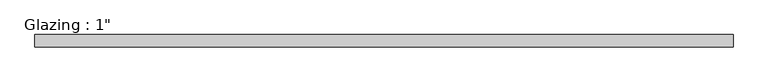
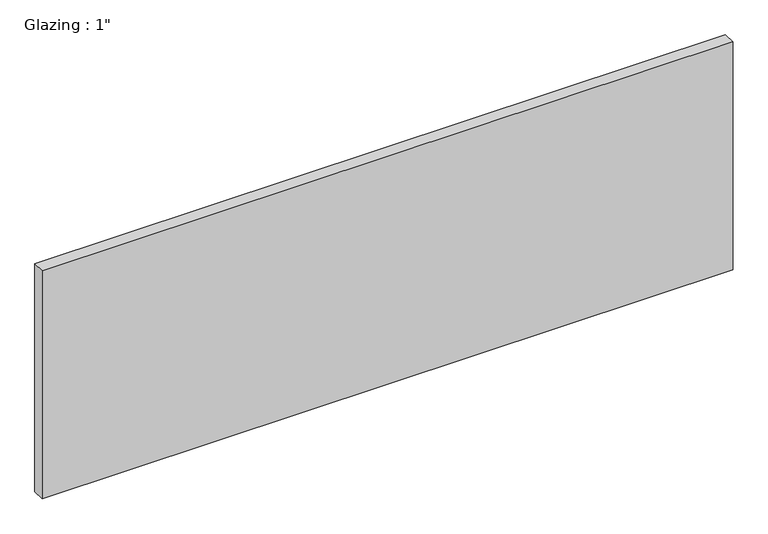
"""IFC4 building model written with IfcOpenShell, lengths in millimetres: plate geometry."""

import ifcopenshell
import ifcopenshell.guid

model = None  # the IFC model being written
_history = None  # IfcOwnerHistory: only IFC2X3 demands one
_inside = {}  # id of a spatial element -> (the spatial element, [elements in it])
_under = {}  # id of a project, library or spatial element -> (it, [spatial elements below it])
_declared = {}  # id of a project -> (the project, [libraries it declares])
_typed = {}  # id of a type object -> (the type object, [elements of that type])
_made_of = {}  # id of a material, layer set ... -> (it, [elements and type objects made of it])


def new_model(schema):
    """Start an empty IFC model of exactly this schema.

    Asked for "IFC4X3", IfcOpenShell would pick the latest addendum, in which some entities
    have other attributes; the version numbers below select the first issue.
    IFC2X3 requires an IfcOwnerHistory on every rooted entity: one is made here for all.
    """
    global model, _history
    if schema == "IFC4X3":
        model = ifcopenshell.file(schema_version=(4, 3, 0, 0))
    else:
        model = ifcopenshell.file(schema=schema)
    _inside.clear()
    _under.clear()
    _declared.clear()
    _typed.clear()
    _made_of.clear()
    _history = None
    if model.schema == "IFC2X3":
        org = make("IfcOrganization", Name="unknown")
        user = make(
            "IfcPersonAndOrganization",
            ThePerson=make("IfcPerson", FamilyName="unknown"),
            TheOrganization=org,
        )
        app = make(
            "IfcApplication",
            ApplicationDeveloper=org,
            Version="unknown",
            ApplicationFullName="unknown",
            ApplicationIdentifier="unknown",
        )
        _history = make(
            "IfcOwnerHistory",
            OwningUser=user,
            OwningApplication=app,
            ChangeAction="ADDED",
            CreationDate=0,
        )
    return model


def make(cls, **values):
    """One entity of the class cls with the attributes given. An attribute that is None is left unset."""
    return model.create_entity(
        cls, **{name: value for name, value in values.items() if value is not None}
    )


def rooted(cls, **values):
    """An entity with a GlobalId (a new one), such as an element, a storey or a relation."""
    return make(cls, GlobalId=ifcopenshell.guid.new(), OwnerHistory=_history, **values)


def si_unit(unit_type, name, prefix=None):
    """IfcSIUnit, for example si_unit("LENGTHUNIT", "METRE", prefix="MILLI")."""
    return make("IfcSIUnit", UnitType=unit_type, Prefix=prefix, Name=name)


def assignment(units):
    """IfcUnitAssignment: the units of a project."""
    return None if units is None else make("IfcUnitAssignment", Units=units)


def point(xyz):
    """IfcCartesianPoint."""
    return None if xyz is None else make("IfcCartesianPoint", Coordinates=xyz)


def direction(xyz):
    """IfcDirection."""
    return None if xyz is None else make("IfcDirection", DirectionRatios=xyz)


def frame(location, z_axis=None, x_axis=None):
    """IfcAxis2Placement3D, a coordinate frame: its origin and axes. An axis left out is left unset."""
    return make(
        "IfcAxis2Placement3D",
        Location=point(location),
        Axis=direction(z_axis),
        RefDirection=direction(x_axis),
    )


def origin():
    """The frame at (0, 0, 0) with its axes left unset."""
    return frame((0.0, 0.0, 0.0))


def origin_with_axes():
    """The frame at (0, 0, 0) with the z axis (0, 0, 1) and the x axis (1, 0, 0) written out."""
    return frame((0.0, 0.0, 0.0), z_axis=(0.0, 0.0, 1.0), x_axis=(1.0, 0.0, 0.0))


def place(relative_to, where):
    """IfcLocalPlacement: puts the frame where relative to a parent placement (None: the world)."""
    return make(
        "IfcLocalPlacement", PlacementRelTo=relative_to, RelativePlacement=where
    )


def context(
    kind, dimensions, precision=None, world=None, true_north=None, identifier=None
):
    """IfcGeometricRepresentationContext, for example the 3D "Model" context."""
    return make(
        "IfcGeometricRepresentationContext",
        ContextIdentifier=identifier,
        ContextType=kind,
        CoordinateSpaceDimension=dimensions,
        Precision=precision,
        WorldCoordinateSystem=world,
        TrueNorth=true_north,
    )


def project(units=None, contexts=None):
    """IfcProject with its units and contexts."""
    return rooted(
        "IfcProject",
        Name="project",
        RepresentationContexts=contexts,
        UnitsInContext=assignment(units),
    )


def spatial(cls, under=None, at=None, **own):
    """A site, building, storey or space (cls), placed at a placement, below another one or the project."""
    s = rooted(cls, ObjectPlacement=at, **own)
    if under is not None:
        _under.setdefault(under.id(), (under, []))[1].append(s)
    return s


def polyline(points):
    """IfcPolyline through the points."""
    return make("IfcPolyline", Points=[point(p) for p in points])


def outline(outer, holes=None, kind="AREA"):
    """IfcArbitraryClosedProfileDef: a profile drawn as a closed curve; with holes, ...WithVoids."""
    if holes is None:
        return make("IfcArbitraryClosedProfileDef", ProfileType=kind, OuterCurve=outer)
    return make(
        "IfcArbitraryProfileDefWithVoids",
        ProfileType=kind,
        OuterCurve=outer,
        InnerCurves=holes,
    )


def extrude(swept, where, along, depth):
    """IfcExtrudedAreaSolid: the profile swept, set in the frame where, extruded along a direction by depth."""
    return make(
        "IfcExtrudedAreaSolid",
        SweptArea=swept,
        Position=where,
        ExtrudedDirection=direction(along),
        Depth=depth,
    )


def shape(context_of_items, identifier, shape_type, items):
    """IfcShapeRepresentation: the items that make up one representation, for example the "Body"."""
    return make(
        "IfcShapeRepresentation",
        ContextOfItems=context_of_items,
        RepresentationIdentifier=identifier,
        RepresentationType=shape_type,
        Items=items,
    )


def source(mapping_origin, context_of_items, identifier, shape_type, items):
    """IfcRepresentationMap: a shape defined once, which mapped items show again and again."""
    return make(
        "IfcRepresentationMap",
        MappingOrigin=mapping_origin,
        MappedRepresentation=shape(context_of_items, identifier, shape_type, items),
    )


def transform(
    local_origin,
    x_axis=None,
    y_axis=None,
    z_axis=None,
    scale=None,
    scale2=None,
    scale3=None,
    uniform=True,
):
    """IfcCartesianTransformationOperator3D, or its non-uniform kind. x_axis, y_axis, z_axis: its Axis1, 2, 3."""
    if uniform:
        return make(
            "IfcCartesianTransformationOperator3D",
            Axis1=direction(x_axis),
            Axis2=direction(y_axis),
            LocalOrigin=point(local_origin),
            Scale=scale,
            Axis3=direction(z_axis),
        )
    return make(
        "IfcCartesianTransformationOperator3DnonUniform",
        Axis1=direction(x_axis),
        Axis2=direction(y_axis),
        LocalOrigin=point(local_origin),
        Scale=scale,
        Axis3=direction(z_axis),
        Scale2=scale2,
        Scale3=scale3,
    )


def mapped(mapping_source, mapping_target):
    """IfcMappedItem: shows the shape of a source again, moved by a transform."""
    return make(
        "IfcMappedItem", MappingSource=mapping_source, MappingTarget=mapping_target
    )


def made_of(thing, what):
    """Note that an element or type object is made of a material, layer set ...; save() writes the relation."""
    if what is not None:
        _made_of.setdefault(what.id(), (what, []))[1].append(thing)
    return thing


def element(
    cls,
    number,
    at=None,
    inside=None,
    cuts=None,
    type_object=None,
    material=None,
    context=None,
    identifier="Body",
    shape_type=None,
    held_by="IfcProductDefinitionShape",
    body=None,
    shapes=None,
    **own,
):
    """One element of the class cls, such as IfcWall. Its Tag is "e" and its number.

    at: its placement. inside: the storey or other place that contains it. cuts: it is an
    opening in that element (IfcRelVoidsElement). A single representation is given by context,
    identifier, shape_type and body (its items); several are given by shapes. held_by: the class
    of the entity that holds the representations. save() writes the other relations.
    """
    e = rooted(cls, Tag="e%d" % number, ObjectPlacement=at, **own)
    if body is not None:
        shapes = [shape(context, identifier, shape_type, body)]
    if shapes is not None:
        e.Representation = make(held_by, Representations=shapes)
    if inside is not None:
        _inside.setdefault(inside.id(), (inside, []))[1].append(e)
    if cuts is not None:
        rooted(
            "IfcRelVoidsElement", RelatingBuildingElement=cuts, RelatedOpeningElement=e
        )
    if type_object is not None:
        _typed.setdefault(type_object.id(), (type_object, []))[1].append(e)
    return made_of(e, material)


def aggregate(whole, parts):
    """IfcRelAggregates: a whole, such as a stair, and the parts it consists of."""
    return rooted("IfcRelAggregates", RelatingObject=whole, RelatedObjects=parts)


def save(model, path):
    """Write the relations noted so far, then the file.

    IfcRelAggregates (storeys below a building ...), IfcRelContainedInSpatialStructure (elements
    in a storey), IfcRelDefinesByType, IfcRelAssociatesMaterial and IfcRelDeclares: one each for
    every whole, place, type object, material and project.
    """
    for whole, parts in _under.values():
        aggregate(whole, parts)
    for where, things in _inside.values():
        rooted(
            "IfcRelContainedInSpatialStructure",
            RelatedElements=things,
            RelatingStructure=where,
        )
    for kind, things in _typed.values():
        rooted("IfcRelDefinesByType", RelatedObjects=things, RelatingType=kind)
    for what, things in _made_of.values():
        rooted("IfcRelAssociatesMaterial", RelatedObjects=things, RelatingMaterial=what)
    for by, libraries in _declared.values():
        rooted("IfcRelDeclares", RelatingContext=by, RelatedDefinitions=libraries)
    model.write(path)


def plate_67715a77(model_context):
    return source(origin(), model_context, "Body", "SweptSolid", [
        extrude(outline(polyline([(713.8402241, -12.7), (-713.8402241, -12.7), (-713.8402241, 12.7), (713.8402241, 12.7), (713.8402241, -12.7)])), origin_with_axes(), (0.0, 0.0, 1.0), 497.9851068),
    ])


if __name__ == "__main__":
    model = new_model("IFC4")
    model_context = context("Model", 3, world=origin())
    ifc_project = project(units=[si_unit("LENGTHUNIT", "METRE", prefix="MILLI")], contexts=[model_context])
    site = spatial("IfcSite", under=ifc_project)
    building = spatial("IfcBuilding", under=site)
    placement = place(None, origin())
    plate_shape = plate_67715a77(model_context)
    element("IfcPlate", 1, ObjectType="Glazing : 1\"", at=placement, inside=building, context=model_context, shape_type="MappedRepresentation", body=[
        mapped(plate_shape, transform((0.0, 0.0, 0.0), x_axis=(1.0, 0.0, 0.0), y_axis=(0.0, 1.0, 0.0), z_axis=(0.0, 0.0, 1.0))),
    ])
    save(model, "model.ifc")
